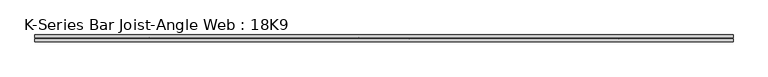
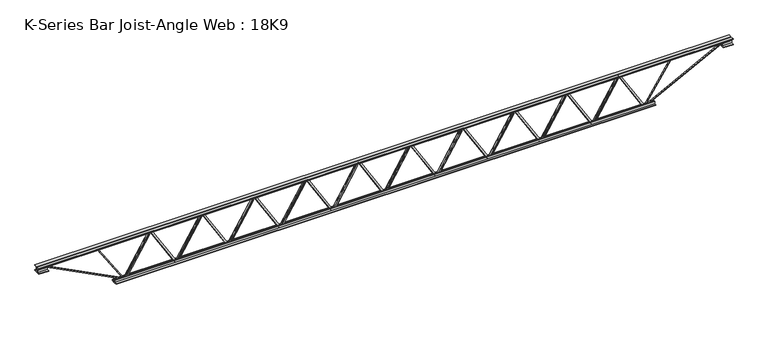
"""IFC4 building model written with IfcOpenShell, lengths in millimetres: beam geometry, K-Series Bar Joist-Angle Web : 18K9."""

from ifc_helpers import new_model, si_unit, frame, origin, place, context, project, spatial, polyline, outline, extrude, faceted_brep, source, transform, mapped, element, save


def k_series_bar_joist_angle_web_18k9_fd727200(model_context):
    return source(origin(), model_context, "Body", "SolidModel", [
        extrude(outline(polyline([(-4.7625, 4.7625), (-4.7625, 0.0), (-17.4625, 0.0), (-17.4625, 4.7625), (-4.7625, 4.7625)])), frame((2161.6836943, 0.0, -190.5), z_axis=(-0.5181902126237499, 0.0, 0.8552653994760651), x_axis=(0.0, -1.0, 0.0)), (0.0, 0.0, 1.0), 445.4757555),
        extrude(outline(polyline([(-225.425, 2194.56), (-206.375, 2194.56), (-206.375, 2193.5758645), (225.425, 1931.9558645), (225.425, 1913.89), (206.375, 1913.89), (206.375, 1921.2241355), (-225.425, 2182.8441355), (-225.425, 2194.56)])), frame((0.0, 0.0, 0.0), z_axis=(0.0, 1.0, 0.0), x_axis=(0.0, 0.0, 1.0)), (0.0, 0.0, 1.0), 4.7625),
        faceted_brep([(1645.92, 0.0, -206.375), (1645.92, 0.0, -225.425), (1645.92, -4.7625, -225.425), (1645.92, -4.7625, -206.375), (1646.9041355, 0.0, -206.375), (1908.5241355, 0.0, 225.425), (1926.59, 0.0, 225.425), (1926.59, 0.0, 206.375), (1919.2558645, 0.0, 206.375), (1657.6358645, 0.0, -225.425), (1657.6358645, -4.7625, -225.425), (1678.7963057, -4.7625, -190.5), (1674.7231042, -4.7625, -188.0321191), (1905.5642807, -4.7625, 192.9678809), (1909.6374821, -4.7625, 190.5), (1919.2558645, -4.7625, 206.375), (1926.59, -4.7625, 206.375), (1926.59, -4.7625, 225.425), (1908.5241355, -4.7625, 225.425), (1646.9041355, -4.7625, -206.375), (1909.6374821, -17.4625, 190.5), (1678.7963057, -17.4625, -190.5), (1674.7231042, -17.4625, -188.0321191), (1905.5642807, -17.4625, 192.9678809)], [[[0, 1, 2, 3]], [[1, 0, 4, 5, 6, 7, 8, 9]], [[2, 1, 9, 10]], [[3, 2, 10, 11, 12, 13, 14, 15, 16, 17, 18, 19]], [[0, 3, 19, 4]], [[9, 8, 15, 14, 20, 21, 11, 10]], [[5, 4, 19, 18]], [[7, 6, 17, 16]], [[8, 7, 16, 15]], [[6, 5, 18, 17]], [[21, 22, 12, 11]], [[20, 14, 13, 23]], [[22, 21, 20, 23]], [[12, 22, 23, 13]]]),
        extrude(outline(polyline([(-4.7625, 4.7625), (-4.7625, 0.0), (-17.4625, 0.0), (-17.4625, 4.7625), (-4.7625, 4.7625)])), frame((1613.0436943, 0.0, -190.5), z_axis=(-0.5181902126237499, 0.0, 0.8552653994760651), x_axis=(0.0, -1.0, 0.0)), (0.0, 0.0, 1.0), 445.4757555),
        extrude(outline(polyline([(-225.425, 1645.92), (-206.375, 1645.92), (-206.375, 1644.9358645), (225.425, 1383.3158645), (225.425, 1365.25), (206.375, 1365.25), (206.375, 1372.5841355), (-225.425, 1634.2041355), (-225.425, 1645.92)])), frame((0.0, 0.0, 0.0), z_axis=(0.0, 1.0, 0.0), x_axis=(0.0, 0.0, 1.0)), (0.0, 0.0, 1.0), 4.7625),
        faceted_brep([(1097.28, 0.0, -206.375), (1097.28, 0.0, -225.425), (1097.28, -4.7625, -225.425), (1097.28, -4.7625, -206.375), (1098.2641355, 0.0, -206.375), (1359.8841355, 0.0, 225.425), (1377.95, 0.0, 225.425), (1377.95, 0.0, 206.375), (1370.6158645, 0.0, 206.375), (1108.9958645, 0.0, -225.425), (1108.9958645, -4.7625, -225.425), (1130.1563057, -4.7625, -190.5), (1126.0831042, -4.7625, -188.0321191), (1356.9242807, -4.7625, 192.9678809), (1360.9974821, -4.7625, 190.5), (1370.6158645, -4.7625, 206.375), (1377.95, -4.7625, 206.375), (1377.95, -4.7625, 225.425), (1359.8841355, -4.7625, 225.425), (1098.2641355, -4.7625, -206.375), (1360.9974821, -17.4625, 190.5), (1130.1563057, -17.4625, -190.5), (1126.0831042, -17.4625, -188.0321191), (1356.9242807, -17.4625, 192.9678809)], [[[0, 1, 2, 3]], [[1, 0, 4, 5, 6, 7, 8, 9]], [[2, 1, 9, 10]], [[3, 2, 10, 11, 12, 13, 14, 15, 16, 17, 18, 19]], [[0, 3, 19, 4]], [[9, 8, 15, 14, 20, 21, 11, 10]], [[5, 4, 19, 18]], [[7, 6, 17, 16]], [[8, 7, 16, 15]], [[6, 5, 18, 17]], [[21, 22, 12, 11]], [[20, 14, 13, 23]], [[22, 21, 20, 23]], [[12, 22, 23, 13]]]),
        extrude(outline(polyline([(-4.7625, 4.7625), (-4.7625, 0.0), (-17.4625, 0.0), (-17.4625, 4.7625), (-4.7625, 4.7625)])), frame((1064.4036943, 0.0, -190.5), z_axis=(-0.5181902126237499, 0.0, 0.8552653994760651), x_axis=(0.0, -1.0, 0.0)), (0.0, 0.0, 1.0), 445.4757555),
        extrude(outline(polyline([(-225.425, 1097.28), (-206.375, 1097.28), (-206.375, 1096.2958645), (225.425, 834.6758645), (225.425, 816.61), (206.375, 816.61), (206.375, 823.9441355), (-225.425, 1085.5641355), (-225.425, 1097.28)])), frame((0.0, 0.0, 0.0), z_axis=(0.0, 1.0, 0.0), x_axis=(0.0, 0.0, 1.0)), (0.0, 0.0, 1.0), 4.7625),
        faceted_brep([(548.64, 0.0, -206.375), (548.64, 0.0, -225.425), (548.64, -4.7625, -225.425), (548.64, -4.7625, -206.375), (549.6241355, 0.0, -206.375), (811.2441355, 0.0, 225.425), (829.31, 0.0, 225.425), (829.31, 0.0, 206.375), (821.9758645, 0.0, 206.375), (560.3558645, 0.0, -225.425), (560.3558645, -4.7625, -225.425), (581.5163057, -4.7625, -190.5), (577.4431042, -4.7625, -188.0321191), (808.2842807, -4.7625, 192.9678809), (812.3574821, -4.7625, 190.5), (821.9758645, -4.7625, 206.375), (829.31, -4.7625, 206.375), (829.31, -4.7625, 225.425), (811.2441355, -4.7625, 225.425), (549.6241355, -4.7625, -206.375), (812.3574821, -17.4625, 190.5), (581.5163057, -17.4625, -190.5), (577.4431042, -17.4625, -188.0321191), (808.2842807, -17.4625, 192.9678809)], [[[0, 1, 2, 3]], [[1, 0, 4, 5, 6, 7, 8, 9]], [[2, 1, 9, 10]], [[3, 2, 10, 11, 12, 13, 14, 15, 16, 17, 18, 19]], [[0, 3, 19, 4]], [[9, 8, 15, 14, 20, 21, 11, 10]], [[5, 4, 19, 18]], [[7, 6, 17, 16]], [[8, 7, 16, 15]], [[6, 5, 18, 17]], [[21, 22, 12, 11]], [[20, 14, 13, 23]], [[22, 21, 20, 23]], [[12, 22, 23, 13]]]),
        extrude(outline(polyline([(-4.7625, 4.7625), (-4.7625, 0.0), (-17.4625, 0.0), (-17.4625, 4.7625), (-4.7625, 4.7625)])), frame((515.7636943, 0.0, -190.5), z_axis=(-0.5181902126237499, 0.0, 0.8552653994760651), x_axis=(0.0, -1.0, 0.0)), (0.0, 0.0, 1.0), 445.4757555),
        extrude(outline(polyline([(-225.425, 548.64), (-206.375, 548.64), (-206.375, 547.6558645), (225.425, 286.0358645), (225.425, 267.97), (206.375, 267.97), (206.375, 275.3041355), (-225.425, 536.9241355), (-225.425, 548.64)])), frame((0.0, 0.0, 0.0), z_axis=(0.0, 1.0, 0.0), x_axis=(0.0, 0.0, 1.0)), (0.0, 0.0, 1.0), 4.7625),
        faceted_brep([(0.0, 0.0, -206.375), (0.0, 0.0, -225.425), (0.0, -4.7625, -225.425), (0.0, -4.7625, -206.375), (0.9841355, 0.0, -206.375), (262.6041355, 0.0, 225.425), (280.67, 0.0, 225.425), (280.67, 0.0, 206.375), (273.3358645, 0.0, 206.375), (11.7158645, 0.0, -225.425), (11.7158645, -4.7625, -225.425), (32.8763057, -4.7625, -190.5), (28.8031042, -4.7625, -188.0321191), (259.6442807, -4.7625, 192.9678809), (263.7174821, -4.7625, 190.5), (273.3358645, -4.7625, 206.375), (280.67, -4.7625, 206.375), (280.67, -4.7625, 225.425), (262.6041355, -4.7625, 225.425), (0.9841355, -4.7625, -206.375), (263.7174821, -17.4625, 190.5), (32.8763057, -17.4625, -190.5), (28.8031042, -17.4625, -188.0321191), (259.6442807, -17.4625, 192.9678809)], [[[0, 1, 2, 3]], [[1, 0, 4, 5, 6, 7, 8, 9]], [[2, 1, 9, 10]], [[3, 2, 10, 11, 12, 13, 14, 15, 16, 17, 18, 19]], [[0, 3, 19, 4]], [[9, 8, 15, 14, 20, 21, 11, 10]], [[5, 4, 19, 18]], [[7, 6, 17, 16]], [[8, 7, 16, 15]], [[6, 5, 18, 17]], [[21, 22, 12, 11]], [[20, 14, 13, 23]], [[22, 21, 20, 23]], [[12, 22, 23, 13]]]),
        extrude(outline(polyline([(-4.7625, 4.7625), (-4.7625, 0.0), (-17.4625, 0.0), (-17.4625, 4.7625), (-4.7625, 4.7625)])), frame((-32.8763057, 0.0, -190.5), z_axis=(-0.5181902126237499, 0.0, 0.8552653994760651), x_axis=(0.0, -1.0, 0.0)), (0.0, 0.0, 1.0), 445.4757555),
        extrude(outline(polyline([(-225.425, 0.0), (-206.375, 0.0), (-206.375, -0.9841355), (225.425, -262.6041355), (225.425, -280.67), (206.375, -280.67), (206.375, -273.3358645), (-225.425, -11.7158645), (-225.425, 0.0)])), frame((0.0, 0.0, 0.0), z_axis=(0.0, 1.0, 0.0), x_axis=(0.0, 0.0, 1.0)), (0.0, 0.0, 1.0), 4.7625),
        faceted_brep([(-548.64, 0.0, -206.375), (-548.64, 0.0, -225.425), (-548.64, -4.7625, -225.425), (-548.64, -4.7625, -206.375), (-547.6558645, 0.0, -206.375), (-286.0358645, 0.0, 225.425), (-267.97, 0.0, 225.425), (-267.97, 0.0, 206.375), (-275.3041355, 0.0, 206.375), (-536.9241355, 0.0, -225.425), (-536.9241355, -4.7625, -225.425), (-515.7636943, -4.7625, -190.5), (-519.8368958, -4.7625, -188.0321191), (-288.9957193, -4.7625, 192.9678809), (-284.9225179, -4.7625, 190.5), (-275.3041355, -4.7625, 206.375), (-267.97, -4.7625, 206.375), (-267.97, -4.7625, 225.425), (-286.0358645, -4.7625, 225.425), (-547.6558645, -4.7625, -206.375), (-284.9225179, -17.4625, 190.5), (-515.7636943, -17.4625, -190.5), (-519.8368958, -17.4625, -188.0321191), (-288.9957193, -17.4625, 192.9678809)], [[[0, 1, 2, 3]], [[1, 0, 4, 5, 6, 7, 8, 9]], [[2, 1, 9, 10]], [[3, 2, 10, 11, 12, 13, 14, 15, 16, 17, 18, 19]], [[0, 3, 19, 4]], [[9, 8, 15, 14, 20, 21, 11, 10]], [[5, 4, 19, 18]], [[7, 6, 17, 16]], [[8, 7, 16, 15]], [[6, 5, 18, 17]], [[21, 22, 12, 11]], [[20, 14, 13, 23]], [[22, 21, 20, 23]], [[12, 22, 23, 13]]]),
        extrude(outline(polyline([(-4.7625, 4.7625), (-4.7625, 0.0), (-17.4625, 0.0), (-17.4625, 4.7625), (-4.7625, 4.7625)])), frame((-581.5163057, 0.0, -190.5), z_axis=(-0.5181902126237499, 0.0, 0.8552653994760651), x_axis=(0.0, -1.0, 0.0)), (0.0, 0.0, 1.0), 445.4757555),
        extrude(outline(polyline([(-225.425, -548.64), (-206.375, -548.64), (-206.375, -549.6241355), (225.425, -811.2441355), (225.425, -829.31), (206.375, -829.31), (206.375, -821.9758645), (-225.425, -560.3558645), (-225.425, -548.64)])), frame((0.0, 0.0, 0.0), z_axis=(0.0, 1.0, 0.0), x_axis=(0.0, 0.0, 1.0)), (0.0, 0.0, 1.0), 4.7625),
        faceted_brep([(-1097.28, 0.0, -206.375), (-1097.28, 0.0, -225.425), (-1097.28, -4.7625, -225.425), (-1097.28, -4.7625, -206.375), (-1096.2958645, 0.0, -206.375), (-834.6758645, 0.0, 225.425), (-816.61, 0.0, 225.425), (-816.61, 0.0, 206.375), (-823.9441355, 0.0, 206.375), (-1085.5641355, 0.0, -225.425), (-1085.5641355, -4.7625, -225.425), (-1064.4036943, -4.7625, -190.5), (-1068.4768958, -4.7625, -188.0321191), (-837.6357193, -4.7625, 192.9678809), (-833.5625179, -4.7625, 190.5), (-823.9441355, -4.7625, 206.375), (-816.61, -4.7625, 206.375), (-816.61, -4.7625, 225.425), (-834.6758645, -4.7625, 225.425), (-1096.2958645, -4.7625, -206.375), (-833.5625179, -17.4625, 190.5), (-1064.4036943, -17.4625, -190.5), (-1068.4768958, -17.4625, -188.0321191), (-837.6357193, -17.4625, 192.9678809)], [[[0, 1, 2, 3]], [[1, 0, 4, 5, 6, 7, 8, 9]], [[2, 1, 9, 10]], [[3, 2, 10, 11, 12, 13, 14, 15, 16, 17, 18, 19]], [[0, 3, 19, 4]], [[9, 8, 15, 14, 20, 21, 11, 10]], [[5, 4, 19, 18]], [[7, 6, 17, 16]], [[8, 7, 16, 15]], [[6, 5, 18, 17]], [[21, 22, 12, 11]], [[20, 14, 13, 23]], [[22, 21, 20, 23]], [[12, 22, 23, 13]]]),
        extrude(outline(polyline([(-4.7625, 4.7625), (-4.7625, 0.0), (-17.4625, 0.0), (-17.4625, 4.7625), (-4.7625, 4.7625)])), frame((-1130.1563057, 0.0, -190.5), z_axis=(-0.5181902126237499, 0.0, 0.8552653994760651), x_axis=(0.0, -1.0, 0.0)), (0.0, 0.0, 1.0), 445.4757555),
        extrude(outline(polyline([(-225.425, -1097.28), (-206.375, -1097.28), (-206.375, -1098.2641355), (225.425, -1359.8841355), (225.425, -1377.95), (206.375, -1377.95), (206.375, -1370.6158645), (-225.425, -1108.9958645), (-225.425, -1097.28)])), frame((0.0, 0.0, 0.0), z_axis=(0.0, 1.0, 0.0), x_axis=(0.0, 0.0, 1.0)), (0.0, 0.0, 1.0), 4.7625),
        faceted_brep([(-1645.92, 0.0, -206.375), (-1645.92, 0.0, -225.425), (-1645.92, -4.7625, -225.425), (-1645.92, -4.7625, -206.375), (-1644.9358645, 0.0, -206.375), (-1383.3158645, 0.0, 225.425), (-1365.25, 0.0, 225.425), (-1365.25, 0.0, 206.375), (-1372.5841355, 0.0, 206.375), (-1634.2041355, 0.0, -225.425), (-1634.2041355, -4.7625, -225.425), (-1613.0436943, -4.7625, -190.5), (-1617.1168958, -4.7625, -188.0321191), (-1386.2757193, -4.7625, 192.9678809), (-1382.2025179, -4.7625, 190.5), (-1372.5841355, -4.7625, 206.375), (-1365.25, -4.7625, 206.375), (-1365.25, -4.7625, 225.425), (-1383.3158645, -4.7625, 225.425), (-1644.9358645, -4.7625, -206.375), (-1382.2025179, -17.4625, 190.5), (-1613.0436943, -17.4625, -190.5), (-1617.1168958, -17.4625, -188.0321191), (-1386.2757193, -17.4625, 192.9678809)], [[[0, 1, 2, 3]], [[1, 0, 4, 5, 6, 7, 8, 9]], [[2, 1, 9, 10]], [[3, 2, 10, 11, 12, 13, 14, 15, 16, 17, 18, 19]], [[0, 3, 19, 4]], [[9, 8, 15, 14, 20, 21, 11, 10]], [[5, 4, 19, 18]], [[7, 6, 17, 16]], [[8, 7, 16, 15]], [[6, 5, 18, 17]], [[21, 22, 12, 11]], [[20, 14, 13, 23]], [[22, 21, 20, 23]], [[12, 22, 23, 13]]]),
        extrude(outline(polyline([(-4.7625, 4.7625), (-4.7625, 0.0), (-17.4625, 0.0), (-17.4625, 4.7625), (-4.7625, 4.7625)])), frame((-1678.7963057, 0.0, -190.5), z_axis=(-0.5181902126237499, 0.0, 0.8552653994760651), x_axis=(0.0, -1.0, 0.0)), (0.0, 0.0, 1.0), 445.4757555),
        extrude(outline(polyline([(-225.425, -1645.92), (-206.375, -1645.92), (-206.375, -1646.9041355), (225.425, -1908.5241355), (225.425, -1926.59), (206.375, -1926.59), (206.375, -1919.2558645), (-225.425, -1657.6358645), (-225.425, -1645.92)])), frame((0.0, 0.0, 0.0), z_axis=(0.0, 1.0, 0.0), x_axis=(0.0, 0.0, 1.0)), (0.0, 0.0, 1.0), 4.7625),
        faceted_brep([(-2194.56, 0.0, -206.375), (-2194.56, 0.0, -225.425), (-2194.56, -4.7625, -225.425), (-2194.56, -4.7625, -206.375), (-2193.5758645, 0.0, -206.375), (-1931.9558645, 0.0, 225.425), (-1913.89, 0.0, 225.425), (-1913.89, 0.0, 206.375), (-1921.2241355, 0.0, 206.375), (-2182.8441355, 0.0, -225.425), (-2182.8441355, -4.7625, -225.425), (-2161.6836943, -4.7625, -190.5), (-2165.7568958, -4.7625, -188.0321191), (-1934.9157193, -4.7625, 192.9678809), (-1930.8425179, -4.7625, 190.5), (-1921.2241355, -4.7625, 206.375), (-1913.89, -4.7625, 206.375), (-1913.89, -4.7625, 225.425), (-1931.9558645, -4.7625, 225.425), (-2193.5758645, -4.7625, -206.375), (-1930.8425179, -17.4625, 190.5), (-2161.6836943, -17.4625, -190.5), (-2165.7568958, -17.4625, -188.0321191), (-1934.9157193, -17.4625, 192.9678809)], [[[0, 1, 2, 3]], [[1, 0, 4, 5, 6, 7, 8, 9]], [[2, 1, 9, 10]], [[3, 2, 10, 11, 12, 13, 14, 15, 16, 17, 18, 19]], [[0, 3, 19, 4]], [[9, 8, 15, 14, 20, 21, 11, 10]], [[5, 4, 19, 18]], [[7, 6, 17, 16]], [[8, 7, 16, 15]], [[6, 5, 18, 17]], [[21, 22, 12, 11]], [[20, 14, 13, 23]], [[22, 21, 20, 23]], [[12, 22, 23, 13]]]),
        extrude(outline(polyline([(-4.7625, 4.7625), (-4.7625, 0.0), (-17.4625, 0.0), (-17.4625, 4.7625), (-4.7625, 4.7625)])), frame((2710.3236943, 0.0, -190.5), z_axis=(-0.5181902126237499, 0.0, 0.8552653994760651), x_axis=(0.0, -1.0, 0.0)), (0.0, 0.0, 1.0), 445.4757555),
        extrude(outline(polyline([(-225.425, 2743.2), (-206.375, 2743.2), (-206.375, 2742.2158645), (225.425, 2480.5958645), (225.425, 2462.53), (206.375, 2462.53), (206.375, 2469.8641355), (-225.425, 2731.4841355), (-225.425, 2743.2)])), frame((0.0, 0.0, 0.0), z_axis=(0.0, 1.0, 0.0), x_axis=(0.0, 0.0, 1.0)), (0.0, 0.0, 1.0), 4.7625),
        faceted_brep([(2194.56, 0.0, -206.375), (2194.56, 0.0, -225.425), (2194.56, -4.7625, -225.425), (2194.56, -4.7625, -206.375), (2195.5441355, 0.0, -206.375), (2457.1641355, 0.0, 225.425), (2475.23, 0.0, 225.425), (2475.23, 0.0, 206.375), (2467.8958645, 0.0, 206.375), (2206.2758645, 0.0, -225.425), (2206.2758645, -4.7625, -225.425), (2227.4363057, -4.7625, -190.5), (2223.3631042, -4.7625, -188.0321191), (2454.2042807, -4.7625, 192.9678809), (2458.2774821, -4.7625, 190.5), (2467.8958645, -4.7625, 206.375), (2475.23, -4.7625, 206.375), (2475.23, -4.7625, 225.425), (2457.1641355, -4.7625, 225.425), (2195.5441355, -4.7625, -206.375), (2458.2774821, -17.4625, 190.5), (2227.4363057, -17.4625, -190.5), (2223.3631042, -17.4625, -188.0321191), (2454.2042807, -17.4625, 192.9678809)], [[[0, 1, 2, 3]], [[1, 0, 4, 5, 6, 7, 8, 9]], [[2, 1, 9, 10]], [[3, 2, 10, 11, 12, 13, 14, 15, 16, 17, 18, 19]], [[0, 3, 19, 4]], [[9, 8, 15, 14, 20, 21, 11, 10]], [[5, 4, 19, 18]], [[7, 6, 17, 16]], [[8, 7, 16, 15]], [[6, 5, 18, 17]], [[21, 22, 12, 11]], [[20, 14, 13, 23]], [[22, 21, 20, 23]], [[12, 22, 23, 13]]]),
        extrude(outline(polyline([(-4.7625, 4.7625), (-4.7625, 0.0), (-17.4625, 0.0), (-17.4625, 4.7625), (-4.7625, 4.7625)])), frame((-2227.4363057, 0.0, -190.5), z_axis=(-0.5181902126237499, 0.0, 0.8552653994760651), x_axis=(0.0, -1.0, 0.0)), (0.0, 0.0, 1.0), 445.4757555),
        extrude(outline(polyline([(-225.425, -2194.56), (-206.375, -2194.56), (-206.375, -2195.5441355), (225.425, -2457.1641355), (225.425, -2475.23), (206.375, -2475.23), (206.375, -2467.8958645), (-225.425, -2206.2758645), (-225.425, -2194.56)])), frame((0.0, 0.0, 0.0), z_axis=(0.0, 1.0, 0.0), x_axis=(0.0, 0.0, 1.0)), (0.0, 0.0, 1.0), 4.7625),
        faceted_brep([(-2743.2, 0.0, -206.375), (-2743.2, 0.0, -225.425), (-2743.2, -4.7625, -225.425), (-2743.2, -4.7625, -206.375), (-2742.2158645, 0.0, -206.375), (-2480.5958645, 0.0, 225.425), (-2462.53, 0.0, 225.425), (-2462.53, 0.0, 206.375), (-2469.8641355, 0.0, 206.375), (-2731.4841355, 0.0, -225.425), (-2731.4841355, -4.7625, -225.425), (-2710.3236943, -4.7625, -190.5), (-2714.3968958, -4.7625, -188.0321191), (-2483.5557193, -4.7625, 192.9678809), (-2479.4825179, -4.7625, 190.5), (-2469.8641355, -4.7625, 206.375), (-2462.53, -4.7625, 206.375), (-2462.53, -4.7625, 225.425), (-2480.5958645, -4.7625, 225.425), (-2742.2158645, -4.7625, -206.375), (-2479.4825179, -17.4625, 190.5), (-2710.3236943, -17.4625, -190.5), (-2714.3968958, -17.4625, -188.0321191), (-2483.5557193, -17.4625, 192.9678809)], [[[0, 1, 2, 3]], [[1, 0, 4, 5, 6, 7, 8, 9]], [[2, 1, 9, 10]], [[3, 2, 10, 11, 12, 13, 14, 15, 16, 17, 18, 19]], [[0, 3, 19, 4]], [[9, 8, 15, 14, 20, 21, 11, 10]], [[5, 4, 19, 18]], [[7, 6, 17, 16]], [[8, 7, 16, 15]], [[6, 5, 18, 17]], [[21, 22, 12, 11]], [[20, 14, 13, 23]], [[22, 21, 20, 23]], [[12, 22, 23, 13]]]),
        extrude(outline(polyline([(4.7625, 228.6), (36.5125, 228.6), (36.5125, 222.25), (11.1125, 222.25), (11.1125, 196.85), (4.7625, 196.85), (4.7625, 228.6)])), frame((-3657.6, 0.0, 0.0), z_axis=(1.0, 0.0, 0.0), x_axis=(0.0, 1.0, 0.0)), (0.0, 0.0, 1.0), 7315.2),
        extrude(outline(polyline([(-4.7625, 228.6), (-4.7625, 196.85), (-11.1125, 196.85), (-11.1125, 222.25), (-36.5125, 222.25), (-36.5125, 228.6), (-4.7625, 228.6)])), frame((-3657.6, 0.0, 0.0), z_axis=(1.0, 0.0, 0.0), x_axis=(0.0, 1.0, 0.0)), (0.0, 0.0, 1.0), 7315.2),
        extrude(outline(polyline([(-4.7625, 165.1), (-36.5125, 165.1), (-36.5125, 171.45), (-11.1125, 171.45), (-11.1125, 196.85), (-4.7625, 196.85), (-4.7625, 165.1)])), frame((-3657.6, 0.0, 0.0), z_axis=(1.0, 0.0, 0.0), x_axis=(0.0, 1.0, 0.0)), (0.0, 0.0, 1.0), 101.6),
        extrude(outline(polyline([(36.5125, 165.1), (4.7625, 165.1), (4.7625, 196.85), (11.1125, 196.85), (11.1125, 171.45), (36.5125, 171.45), (36.5125, 165.1)])), frame((-3657.6, 0.0, 0.0), z_axis=(1.0, 0.0, 0.0), x_axis=(0.0, 1.0, 0.0)), (0.0, 0.0, 1.0), 101.6),
        extrude(outline(polyline([(4.7625, 165.1), (4.7625, 196.85), (11.1125, 196.85), (11.1125, 171.45), (36.5125, 171.45), (36.5125, 165.1), (4.7625, 165.1)])), frame((3556.0, 0.0, 0.0), z_axis=(1.0, 0.0, 0.0), x_axis=(0.0, 1.0, 0.0)), (0.0, 0.0, 1.0), 101.6),
        extrude(outline(polyline([(-4.7625, 165.1), (-36.5125, 165.1), (-36.5125, 171.45), (-11.1125, 171.45), (-11.1125, 196.85), (-4.7625, 196.85), (-4.7625, 165.1)])), frame((3556.0, 0.0, 0.0), z_axis=(1.0, 0.0, 0.0), x_axis=(0.0, 1.0, 0.0)), (0.0, 0.0, 1.0), 101.6),
        extrude(outline(polyline([(4.7625, -228.6), (4.7625, -196.85), (11.1125, -196.85), (11.1125, -222.25), (36.5125, -222.25), (36.5125, -228.6), (4.7625, -228.6)])), frame((-2844.8, 0.0, 0.0), z_axis=(1.0, 0.0, 0.0), x_axis=(0.0, 1.0, 0.0)), (0.0, 0.0, 1.0), 5689.6),
        extrude(outline(polyline([(-4.7625, -228.6), (-36.5125, -228.6), (-36.5125, -222.25), (-11.1125, -222.25), (-11.1125, -196.85), (-4.7625, -196.85), (-4.7625, -228.6)])), frame((-2844.8, 0.0, 0.0), z_axis=(1.0, 0.0, 0.0), x_axis=(0.0, 1.0, 0.0)), (0.0, 0.0, 1.0), 5689.6),
        extrude(outline(polyline([(4.7625, 4.7625), (4.7625, -4.7625), (-4.7625, -4.7625), (-4.7625, 4.7625), (4.7625, 4.7625)])), frame((2743.2, 0.0, -222.25), z_axis=(0.5476591746947971, 0.0, 0.8367015168939362), x_axis=(0.0, -1.0, 0.0)), (0.0, 0.0, 1.0), 500.8954705),
        extrude(outline(polyline([(4.7625, 4.7625), (4.7625, -4.7625), (-4.7625, -4.7625), (-4.7625, 4.7625), (4.7625, 4.7625)])), frame((-2743.2, 0.0, -222.25), z_axis=(-0.5476591746947842, 0.0, 0.8367015168939447), x_axis=(0.0, -1.0, 0.0)), (0.0, 0.0, 1.0), 500.8954705),
        extrude(outline(polyline([(0.0, -9.525), (0.0, 0.0), (914.4881902, 0.0), (914.4881902, -9.525), (0.0, -9.525)])), frame((3558.182602, -4.7625, 192.6170749), z_axis=(-0.4582891331946202, 0.0, 0.8888031674086923), x_axis=(-0.8888031674086923, 0.0, -0.4582891331946202)), (0.0, 0.0, 1.0), 9.525),
        extrude(outline(polyline([(0.0, -9.525), (0.0, 0.0), (914.4881902, 0.0), (914.4881902, -9.525), (0.0, -9.525)])), frame((-3558.182602, 4.7625, 192.6170749), z_axis=(0.4582891331946186, 0.0, 0.888803167408693), x_axis=(0.888803167408693, 0.0, -0.4582891331946186)), (0.0, 0.0, 1.0), 9.525),
    ])


if __name__ == "__main__":
    model = new_model("IFC4")
    model_context = context("Model", 3, world=origin())
    ifc_project = project(units=[si_unit("LENGTHUNIT", "METRE", prefix="MILLI")], contexts=[model_context])
    site = spatial("IfcSite", under=ifc_project)
    building = spatial("IfcBuilding", under=site)
    placement = place(None, origin())
    k_series_bar_joist_angle_web_18k9_shape = k_series_bar_joist_angle_web_18k9_fd727200(model_context)
    element("IfcBeam", 1, ObjectType="K-Series Bar Joist-Angle Web : 18K9", at=placement, inside=building, context=model_context, shape_type="MappedRepresentation", body=[
        mapped(k_series_bar_joist_angle_web_18k9_shape, transform((0.0, 0.0, 0.0), x_axis=(1.0, 0.0, 0.0), y_axis=(0.0, 1.0, 0.0), z_axis=(0.0, 0.0, 1.0))),
    ])
    save(model, "model.ifc")
